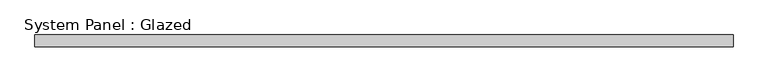
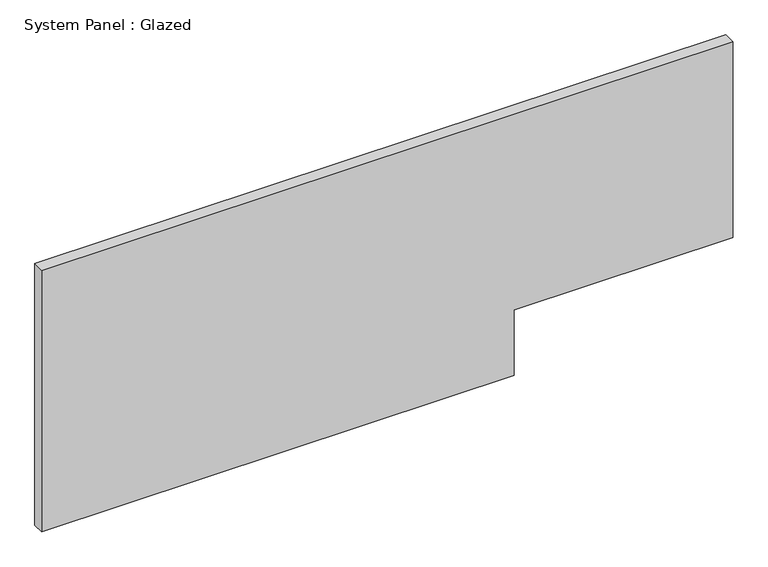
"""IFC4 building model written with IfcOpenShell, lengths in millimetres: plate geometry, System Panel : Glazed."""

from ifc_helpers import new_model, si_unit, frame, origin, place, context, project, spatial, polyline, outline, extrude, source, transform, mapped, element, save


def system_panel_glazed_5d42012f(model_context):
    return source(origin(), model_context, "Body", "SweptSolid", [
        extrude(outline(polyline([(0.0, -762.0), (0.0, 127.0), (0.0, 279.4), (152.4, 279.4), (152.4, 762.0), (609.6, 762.0), (609.6, -762.0), (0.0, -762.0)])), frame((0.0, 19.05, 0.0), z_axis=(0.0, 1.0, 0.0), x_axis=(0.0, 0.0, 1.0)), (0.0, 0.0, 1.0), 25.4),
    ])


if __name__ == "__main__":
    model = new_model("IFC4")
    model_context = context("Model", 3, world=origin())
    ifc_project = project(units=[si_unit("LENGTHUNIT", "METRE", prefix="MILLI")], contexts=[model_context])
    site = spatial("IfcSite", under=ifc_project)
    building = spatial("IfcBuilding", under=site)
    placement = place(None, origin())
    system_panel_glazed_shape = system_panel_glazed_5d42012f(model_context)
    element("IfcPlate", 1, ObjectType="System Panel : Glazed", at=placement, inside=building, context=model_context, shape_type="MappedRepresentation", body=[
        mapped(system_panel_glazed_shape, transform((0.0, 0.0, 0.0), x_axis=(1.0, 0.0, 0.0), y_axis=(0.0, 1.0, 0.0), z_axis=(0.0, 0.0, 1.0))),
    ])
    save(model, "model.ifc")
